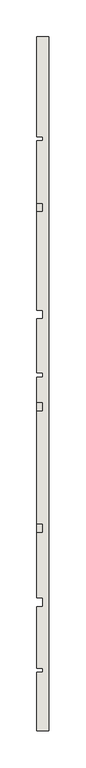
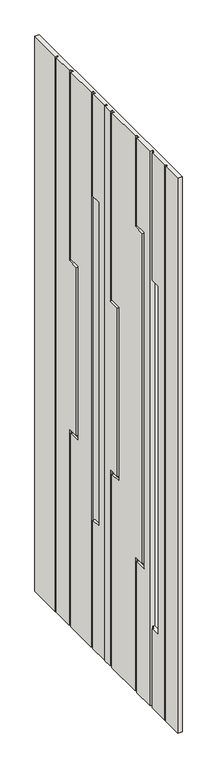
"""IFC4 building model written with IfcOpenShell, lengths in millimetres: wall geometry."""

from ifc_helpers import new_model, si_unit, origin, place, context, project, spatial, faceted_brep, source, transform, mapped, element, save


def wall_29400619(model_context):
    return source(origin(), model_context, "Body", "Brep", [
        faceted_brep([(33271.0624503, -18340.5812754, 4508.0), (33271.0624503, -18340.5812754, 6736.0), (33271.0624503, -18261.5812754, 6736.0), (33271.0624503, -18261.5812754, 4508.0), (33271.0624503, -17400.5812754, 6736.0), (33271.0624503, -17400.5812754, 4508.0), (33271.0624503, -17535.5812754, 4508.0), (33271.0624503, -17535.5812754, 6736.0), (33271.0624503, -18172.5812754, 4508.0), (33271.0624503, -18255.5812754, 4508.0), (33271.0624503, -18255.5812754, 6736.0), (33271.0624503, -18172.5812754, 6736.0), (33271.0624503, -18172.5812754, 6225.0), (33271.0624503, -18212.5812754, 6225.0), (33271.0624503, -18212.5812754, 4825.0), (33271.0624503, -18172.5812754, 4825.0), (33271.0624503, -18072.0499735, 4508.0), (33271.0624503, -18160.5812754, 4508.0), (33271.0624503, -18160.5812754, 6736.0), (33271.0624503, -18072.0499735, 6736.0), (33271.0624503, -18072.0499735, 6385.0), (33271.0624503, -18120.0499735, 6385.0), (33271.0624503, -18120.0499735, 5035.0), (33271.0624503, -18072.0499735, 5035.0), (33271.0624503, -17907.5812754, 4508.0), (33271.0624503, -18060.0499735, 4508.0), (33271.0624503, -18060.0499735, 5047.0), (33271.0624503, -18108.0499735, 5047.0), (33271.0624503, -18108.0499735, 6373.0), (33271.0624503, -18060.0499735, 6373.0), (33271.0624503, -18060.0499735, 6736.0), (33271.0624503, -17907.5812754, 6736.0), (33271.0624503, -17907.5812754, 5985.0), (33271.0624503, -17955.5812754, 5985.0), (33271.0624503, -17955.5812754, 5285.0), (33271.0624503, -17907.5812754, 5285.0), (33271.0624503, -17861.5812754, 4508.0), (33271.0624503, -17895.5812754, 4508.0), (33271.0624503, -17895.5812754, 5297.0), (33271.0624503, -17943.5812754, 5297.0), (33271.0624503, -17943.5812754, 5973.0), (33271.0624503, -17895.5812754, 5973.0), (33271.0624503, -17895.5812754, 6736.0), (33271.0624503, -17861.5812754, 6736.0), (33271.0624503, -17782.5812754, 4508.0), (33271.0624503, -17855.5812754, 4508.0), (33271.0624503, -17855.5812754, 6736.0), (33271.0624503, -17782.5812754, 6736.0), (33271.0624503, -17782.5812754, 6325.0), (33271.0624503, -17822.5812754, 6325.0), (33271.0624503, -17822.5812754, 5025.0), (33271.0624503, -17782.5812754, 5025.0), (33271.0624503, -17637.5812754, 4508.0), (33271.0624503, -17770.5812754, 4508.0), (33271.0624503, -17770.5812754, 6736.0), (33271.0624503, -17637.5812754, 6736.0), (33271.0624503, -17637.5812754, 5985.0), (33271.0624503, -17685.5812754, 5985.0), (33271.0624503, -17685.5812754, 5285.0), (33271.0624503, -17637.5812754, 5285.0), (33271.0624503, -17541.5812754, 4508.0), (33271.0624503, -17625.5812754, 4508.0), (33271.0624503, -17625.5812754, 5297.0), (33271.0624503, -17673.5812754, 5297.0), (33271.0624503, -17673.5812754, 5973.0), (33271.0624503, -17625.5812754, 5973.0), (33271.0624503, -17625.5812754, 6736.0), (33271.0624503, -17541.5812754, 6736.0), (33287.0624503, -17400.5812754, 4508.0), (33287.0624503, -17400.5812754, 6736.0), (33287.0624503, -18340.5812754, 6736.0), (33287.0624503, -18340.5812754, 4508.0), (33287.0624503, -18212.5812754, 6225.0), (33287.0624503, -18160.5812754, 6225.0), (33287.0624503, -18160.5812754, 4825.0), (33287.0624503, -18212.5812754, 4825.0), (33279.0624503, -18261.5812754, 4508.0), (33279.0624503, -18255.5812754, 4508.0), (33279.0624503, -18172.5812754, 4508.0), (33279.0624503, -18160.5812754, 4508.0), (33279.0624503, -18072.0499735, 4508.0), (33279.0624503, -18060.0499735, 4508.0), (33279.0624503, -17907.5812754, 4508.0), (33279.0624503, -17895.5812754, 4508.0), (33279.0624503, -17861.5812754, 4508.0), (33279.0624503, -17855.5812754, 4508.0), (33279.0624503, -17782.5812754, 4508.0), (33279.0624503, -17770.5812754, 4508.0), (33279.0624503, -17637.5812754, 4508.0), (33279.0624503, -17625.5812754, 4508.0), (33279.0624503, -17541.5812754, 4508.0), (33279.0624503, -17535.5812754, 4508.0), (33279.0624503, -17535.5812754, 6736.0), (33279.0624503, -17541.5812754, 6736.0), (33279.0624503, -17625.5812754, 6736.0), (33279.0624503, -17637.5812754, 6736.0), (33279.0624503, -17770.5812754, 6736.0), (33279.0624503, -17782.5812754, 6736.0), (33279.0624503, -17855.5812754, 6736.0), (33279.0624503, -17861.5812754, 6736.0), (33279.0624503, -17895.5812754, 6736.0), (33279.0624503, -17907.5812754, 6736.0), (33279.0624503, -18060.0499735, 6736.0), (33279.0624503, -18072.0499735, 6736.0), (33279.0624503, -18160.5812754, 6736.0), (33279.0624503, -18172.5812754, 6736.0), (33279.0624503, -18255.5812754, 6736.0), (33279.0624503, -18261.5812754, 6736.0), (33279.0624503, -18172.5812754, 6225.0), (33279.0624503, -18160.5812754, 6225.0), (33279.0624503, -18172.5812754, 4825.0), (33279.0624503, -18160.5812754, 4825.0), (33279.0624503, -18108.0499735, 6373.0), (33279.0624503, -18108.0499735, 5047.0), (33279.0624503, -18060.0499735, 5047.0), (33279.0624503, -18072.0499735, 5035.0), (33279.0624503, -18120.0499735, 5035.0), (33279.0624503, -18120.0499735, 6385.0), (33279.0624503, -18072.0499735, 6385.0), (33279.0624503, -18060.0499735, 6373.0), (33279.0624503, -17895.5812754, 5973.0), (33279.0624503, -17943.5812754, 5973.0), (33279.0624503, -17943.5812754, 5297.0), (33279.0624503, -17895.5812754, 5297.0), (33279.0624503, -17907.5812754, 5285.0), (33279.0624503, -17955.5812754, 5285.0), (33279.0624503, -17955.5812754, 5985.0), (33279.0624503, -17907.5812754, 5985.0), (33279.0624503, -17782.5812754, 6325.0), (33279.0624503, -17782.5812754, 5025.0), (33279.0624503, -17822.5812754, 5025.0), (33279.0624503, -17822.5812754, 6325.0), (33279.0624503, -17625.5812754, 5973.0), (33279.0624503, -17673.5812754, 5973.0), (33279.0624503, -17673.5812754, 5297.0), (33279.0624503, -17625.5812754, 5297.0), (33279.0624503, -17637.5812754, 5285.0), (33279.0624503, -17685.5812754, 5285.0), (33279.0624503, -17685.5812754, 5985.0), (33279.0624503, -17637.5812754, 5985.0)], [[[0, 1, 2, 3]], [[4, 5, 6, 7]], [[8, 9, 10, 11, 12, 13, 14, 15]], [[16, 17, 18, 19, 20, 21, 22, 23]], [[24, 25, 26, 27, 28, 29, 30, 31, 32, 33, 34, 35]], [[36, 37, 38, 39, 40, 41, 42, 43]], [[44, 45, 46, 47, 48, 49, 50, 51]], [[52, 53, 54, 55, 56, 57, 58, 59]], [[60, 61, 62, 63, 64, 65, 66, 67]], [[68, 69, 70, 71], [72, 73, 74, 75]], [[68, 71, 0, 3, 76, 77, 9, 8, 78, 79, 17, 16, 80, 81, 25, 24, 82, 83, 37, 36, 84, 85, 45, 44, 86, 87, 53, 52, 88, 89, 61, 60, 90, 91, 6, 5]], [[1, 0, 71, 70]], [[70, 69, 4, 7, 92, 93, 67, 66, 94, 95, 55, 54, 96, 97, 47, 46, 98, 99, 43, 42, 100, 101, 31, 30, 102, 103, 19, 18, 104, 105, 11, 10, 106, 107, 2, 1]], [[5, 4, 69, 68]], [[106, 77, 76, 107]], [[108, 105, 104, 109]], [[78, 110, 111, 79]], [[112, 113, 114, 81, 80, 115, 116, 117, 118, 103, 102, 119]], [[100, 120, 121, 122, 123, 83, 82, 124, 125, 126, 127, 101]], [[98, 85, 84, 99]], [[128, 97, 96, 87, 86, 129, 130, 131]], [[94, 132, 133, 134, 135, 89, 88, 136, 137, 138, 139, 95]], [[92, 91, 90, 93]], [[107, 76, 3, 2]], [[77, 106, 10, 9]], [[12, 108, 109, 73, 72, 13]], [[13, 72, 75, 14]], [[14, 75, 74, 111, 110, 15]], [[110, 78, 8, 15]], [[17, 79, 111, 74, 73, 109, 104, 18]], [[105, 108, 12, 11]], [[112, 119, 29, 28]], [[119, 102, 30, 29]], [[103, 118, 20, 19]], [[118, 117, 21, 20]], [[117, 116, 22, 21]], [[116, 115, 23, 22]], [[115, 80, 16, 23]], [[81, 114, 26, 25]], [[114, 113, 27, 26]], [[113, 112, 28, 27]], [[101, 127, 32, 31]], [[127, 126, 33, 32]], [[126, 125, 34, 33]], [[125, 124, 35, 34]], [[124, 82, 24, 35]], [[83, 123, 38, 37]], [[123, 122, 39, 38]], [[122, 121, 40, 39]], [[121, 120, 41, 40]], [[120, 100, 42, 41]], [[99, 84, 36, 43]], [[85, 98, 46, 45]], [[128, 131, 49, 48]], [[131, 130, 50, 49]], [[130, 129, 51, 50]], [[129, 86, 44, 51]], [[87, 96, 54, 53]], [[97, 128, 48, 47]], [[95, 139, 56, 55]], [[139, 138, 57, 56]], [[138, 137, 58, 57]], [[137, 136, 59, 58]], [[136, 88, 52, 59]], [[89, 135, 62, 61]], [[135, 134, 63, 62]], [[134, 133, 64, 63]], [[133, 132, 65, 64]], [[132, 94, 66, 65]], [[93, 90, 60, 67]], [[91, 92, 7, 6]]]),
    ])


if __name__ == "__main__":
    model = new_model("IFC4")
    model_context = context("Model", 3, world=origin())
    ifc_project = project(units=[si_unit("LENGTHUNIT", "METRE", prefix="MILLI")], contexts=[model_context])
    site = spatial("IfcSite", under=ifc_project)
    building = spatial("IfcBuilding", under=site)
    placement = place(None, origin())
    wall_shape = wall_29400619(model_context)
    element("IfcWall", 1, at=placement, inside=building, context=model_context, shape_type="MappedRepresentation", body=[
        mapped(wall_shape, transform((0.0, 0.0, 0.0), x_axis=(1.0, 0.0, 0.0), y_axis=(0.0, 1.0, 0.0), z_axis=(0.0, 0.0, 1.0))),
    ])
    save(model, "model.ifc")
